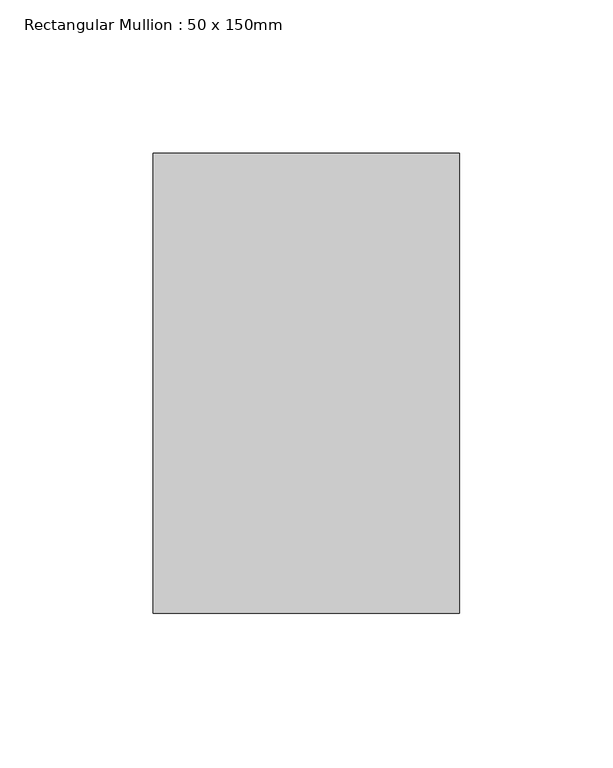
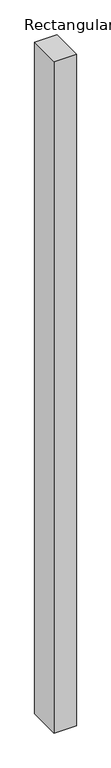
"""IFC4 building model written with IfcOpenShell, lengths in millimetres: member geometry, Rectangular Mullion : 50 x 150mm."""

from ifc_helpers import new_model, si_unit, frame, origin, place, context, project, spatial, polyline, outline, extrude, source, transform, mapped, element, save


def rectangular_mullion_50_x_150mm_992c6d32(model_context):
    return source(origin(), model_context, "Body", "SweptSolid", [
        extrude(outline(polyline([(0.0, 75.0), (0.0, -75.0), (-100.0, -75.0), (-100.0, 75.0), (0.0, 75.0)])), frame((0.0, 0.0, -3180.2859694), z_axis=(0.0, 0.0, 1.0), x_axis=(1.0, 0.0, 0.0)), (0.0, 0.0, 1.0), 3180.2859694),
    ])


if __name__ == "__main__":
    model = new_model("IFC4")
    model_context = context("Model", 3, world=origin())
    ifc_project = project(units=[si_unit("LENGTHUNIT", "METRE", prefix="MILLI")], contexts=[model_context])
    site = spatial("IfcSite", under=ifc_project)
    building = spatial("IfcBuilding", under=site)
    placement = place(None, origin())
    rectangular_mullion_50_x_150mm_shape = rectangular_mullion_50_x_150mm_992c6d32(model_context)
    element("IfcMember", 1, ObjectType="Rectangular Mullion : 50 x 150mm", at=placement, inside=building, context=model_context, shape_type="MappedRepresentation", body=[
        mapped(rectangular_mullion_50_x_150mm_shape, transform((0.0, 0.0, 0.0), x_axis=(1.0, 0.0, 0.0), y_axis=(0.0, 1.0, 0.0), z_axis=(0.0, 0.0, 1.0))),
    ])
    save(model, "model.ifc")
